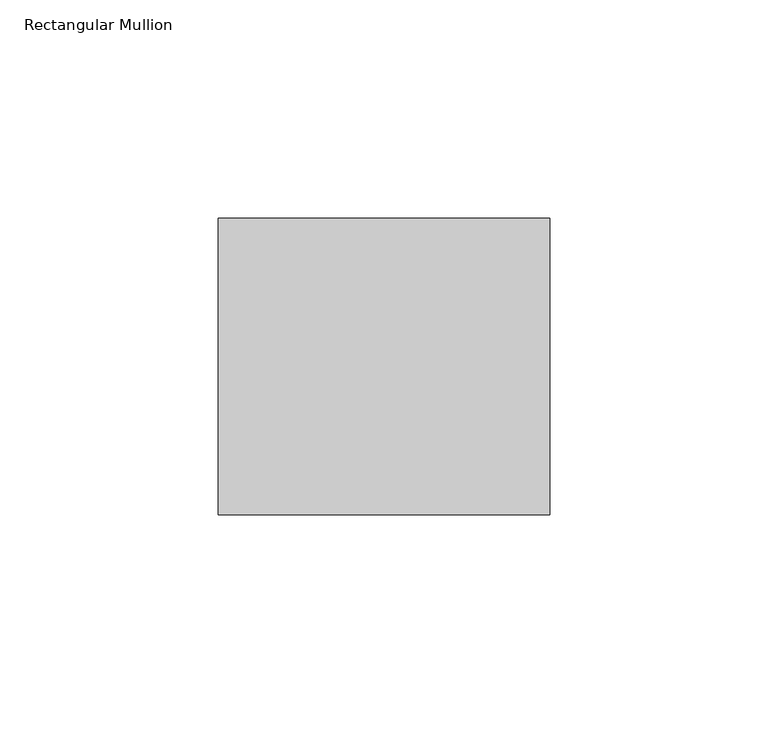
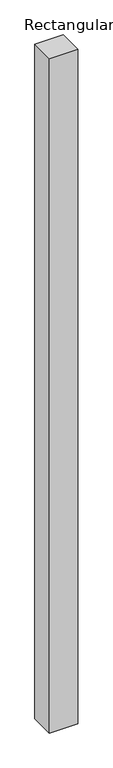
"""IFC4 building model written with IfcOpenShell, lengths in millimetres: member geometry, Rectangular Mullion."""

from ifc_helpers import new_model, si_unit, frame, origin, place, context, project, spatial, polyline, outline, extrude, source, transform, mapped, element, save


def rectangular_mullion_c6cd4b84(model_context):
    return source(origin(), model_context, "Body", "SweptSolid", [
        extrude(outline(polyline([(38.0, 68.0), (38.0, 0.0), (-38.0, 0.0), (-38.0, 68.0), (38.0, 68.0)])), frame((0.0, 0.0, -1924.0), z_axis=(0.0, 0.0, 1.0), x_axis=(1.0, 0.0, 0.0)), (0.0, 0.0, 1.0), 1924.0),
    ])


if __name__ == "__main__":
    model = new_model("IFC4")
    model_context = context("Model", 3, world=origin())
    ifc_project = project(units=[si_unit("LENGTHUNIT", "METRE", prefix="MILLI")], contexts=[model_context])
    site = spatial("IfcSite", under=ifc_project)
    building = spatial("IfcBuilding", under=site)
    placement = place(None, origin())
    rectangular_mullion_shape = rectangular_mullion_c6cd4b84(model_context)
    element("IfcMember", 1, ObjectType="Rectangular Mullion", at=placement, inside=building, context=model_context, shape_type="MappedRepresentation", body=[
        mapped(rectangular_mullion_shape, transform((0.0, 0.0, 0.0), x_axis=(1.0, 0.0, 0.0), y_axis=(0.0, 1.0, 0.0), z_axis=(0.0, 0.0, 1.0))),
    ])
    save(model, "model.ifc")
